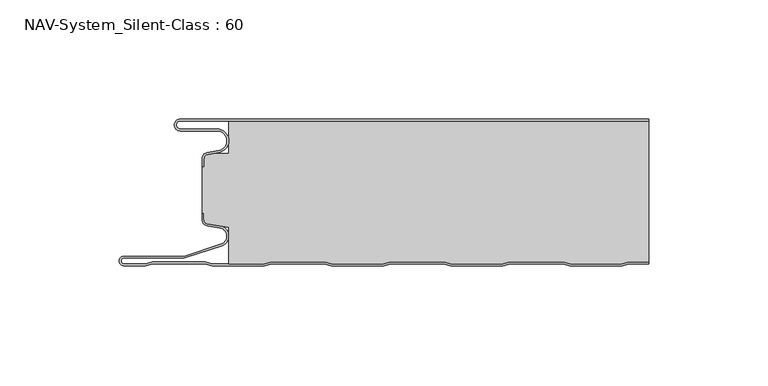
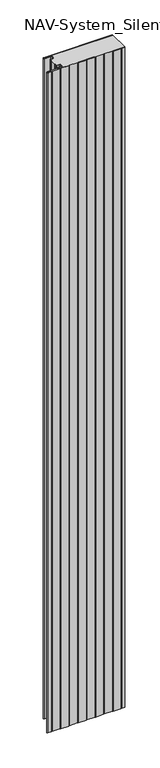
"""IFC4 building model written with IfcOpenShell, lengths in millimetres: plate geometry, NAV-System_Silent-Class : 60."""

from ifc_helpers import new_model, si_unit, frame, origin, place, context, project, spatial, polyline, circle_curve, source, transform, mapped, element, save
from ifc_brep_helpers import plane_surface, cylinder_surface, revolved_surface, advanced_brep


def nav_system_silent_class_60_25ee9764(model_context):
    return source(origin(), model_context, "Body", "AdvancedBrep", [
        advanced_brep(
        [(-97.0000001, -0.8000002, 0.0), (-97.0000001, -4.1999999, 0.0), (-81.6002086, -4.1999999, 0.0), (-80.7423864, -14.0049502, 0.0), (-85.6125665, -14.8636946, 0.0), (-87.1000004, -16.6363494, 0.0), (-87.1000014, -19.9421291, 0.0), (-87.9000014, -19.9421291, 0.0), (-87.9000014, -16.6363484, 0.0), (-85.7514853, -14.0758488, 0.0), (-80.8813015, -13.217104, 0.0), (-81.600205, -4.9999999, 0.0), (-97.0000001, -4.9999999, 0.0), (-97.0000001, 0.0, 0.0), (99.5, 0.0, 0.0), (99.5, -0.8, 0.0), (-97.0000001, 0.0, 2000.0), (-97.0000001, -4.9999999, 2000.0), (-81.600205, -4.9999999, 2000.0), (-80.8813015, -13.217104, 2000.0), (-85.7514853, -14.0758488, 2000.0), (-87.8999997, -16.6363484, 2000.0), (-87.9000014, -19.9421291, 2000.0), (-87.1000014, -19.9421291, 2000.0), (-87.1000014, -16.6363494, 2000.0), (-85.6125665, -14.8636946, 2000.0), (-80.7423864, -14.0049502, 2000.0), (-81.6002086, -4.1999999, 2000.0), (-97.0000001, -4.1999999, 2000.0), (-97.0000001, -0.8000002, 2000.0), (99.5, -0.8, 2000.0), (99.5, 0.0, 2000.0)],
        [
            (0, 1, circle_curve(frame((-97.0000001, -2.5, 0.0), z_axis=(0.0, 0.0, 1.0), x_axis=(1.0, 0.0, 0.0)), 1.6999999)),
            (1, 2),
            (2, 3, circle_curve(frame((-81.6002086, -9.1399999, 0.0), z_axis=(0.0, 0.0, -1.0), x_axis=(1.0, 0.0, 0.0)), 4.94)),
            (3, 4),
            (4, 5, circle_curve(frame((-85.2999995, -16.6363494, 0.0), z_axis=(0.0, 0.0, 1.0), x_axis=(1.0, 0.0, 0.0)), 1.8000009)),
            (5, 6),
            (6, 7),
            (7, 8),
            (8, 9, circle_curve(frame((-85.3000002, -16.6363484, 0.0), z_axis=(0.0, 0.0, -1.0), x_axis=(1.0, 0.0, 0.0)), 2.5999995)),
            (9, 10),
            (10, 11, circle_curve(frame((-81.600205, -9.1399999, 0.0), z_axis=(0.0, 0.0, 1.0), x_axis=(1.0, 0.0, 0.0)), 4.14)),
            (11, 12),
            (12, 13, circle_curve(frame((-97.0000001, -2.4999999, 0.0), z_axis=(0.0, 0.0, -1.0), x_axis=(1.0, 0.0, 0.0)), 2.4999999)),
            (13, 14),
            (14, 15),
            (15, 0),
            (16, 17, circle_curve(frame((-97.0000001, -2.4999999, 2000.0), z_axis=(0.0, 0.0, 1.0), x_axis=(1.0, 0.0, 0.0)), 2.4999999)),
            (17, 18),
            (18, 19, circle_curve(frame((-81.600205, -9.1399999, 2000.0), z_axis=(0.0, 0.0, -1.0), x_axis=(1.0, 0.0, 0.0)), 4.14)),
            (19, 20),
            (20, 21, circle_curve(frame((-85.3000002, -16.6363484, 2000.0), z_axis=(0.0, 0.0, 1.0), x_axis=(1.0, 0.0, 0.0)), 2.5999995)),
            (21, 22),
            (22, 23),
            (23, 24),
            (24, 25, circle_curve(frame((-85.2999995, -16.6363494, 2000.0), z_axis=(0.0, 0.0, -1.0), x_axis=(1.0, 0.0, 0.0)), 1.8000009)),
            (25, 26),
            (26, 27, circle_curve(frame((-81.6002086, -9.1399999, 2000.0), z_axis=(0.0, 0.0, 1.0), x_axis=(1.0, 0.0, 0.0)), 4.94)),
            (27, 28),
            (28, 29, circle_curve(frame((-97.0000001, -2.5, 2000.0), z_axis=(0.0, 0.0, -1.0), x_axis=(1.0, 0.0, 0.0)), 1.6999999)),
            (29, 30),
            (30, 31),
            (31, 16),
            (29, 0),
            (15, 30),
            (13, 16),
            (31, 14),
            (1, 28),
            (27, 2),
            (5, 24),
            (23, 6),
            (22, 7),
            (21, 8),
            (11, 18),
            (17, 12),
            (26, 3),
            (25, 4),
            (20, 9),
            (19, 10),
        ],
        [
            plane_surface(frame((-99.5, 0.0, 0.0), z_axis=(0.0, 0.0, -1.0), x_axis=(0.0, -1.0, 0.0))),
            plane_surface(frame((-99.5, 0.0, 2000.0), z_axis=(0.0, 0.0, 1.0), x_axis=(0.0, -1.0, 0.0))),
            plane_surface(frame((898.5000017, -0.8, 0.0), z_axis=(0.0, -1.0, 0.0), x_axis=(0.0, 0.0, 1.0))),
            plane_surface(frame((-97.0000001, 0.0, 0.0), z_axis=(0.0, 1.0, 0.0), x_axis=(0.0, 0.0, 1.0))),
            plane_surface(frame((-97.0000001, -4.1999999, 0.0), z_axis=(0.0, 1.0, 0.0), x_axis=(0.0, 0.0, 1.0))),
            plane_surface(frame((-87.1000014, -16.6363494, 0.0), z_axis=(1.0, 0.0, 0.0), x_axis=(0.0, 0.0, 1.0))),
            plane_surface(frame((-87.1000014, -19.9421291, 0.0), z_axis=(0.0, -1.0, 0.0), x_axis=(0.0, 0.0, 1.0))),
            plane_surface(frame((-87.9000014, -19.9421291, 0.0), z_axis=(-1.0, 0.0, 0.0), x_axis=(0.0, 0.0, 1.0))),
            plane_surface(frame((-81.600205, -4.9999999, 0.0), z_axis=(0.0, -1.0, 0.0), x_axis=(0.0, 0.0, 1.0))),
            revolved_surface(polyline([(-95.3000002, -2.5, 2000.0), (-95.3000002, -2.5, 0.0)]), (-97.0000001, -2.5, 0.0), (0.0, 0.0, 1.0)),
            cylinder_surface(frame((-81.6002086, -9.1399999, 0.0), z_axis=(0.0, 0.0, -1.0), x_axis=(1.0, 0.0, 0.0)), 4.94),
            plane_surface(frame((-80.7423864, -14.0049502, 0.0), z_axis=(0.17364822279076972, -0.9848077450556567, 0.0), x_axis=(0.0, 0.0, 1.0))),
            revolved_surface(polyline([(-83.4999986, -16.6363494, 2000.0), (-83.4999986, -16.6363494, 0.0)]), (-85.2999995, -16.6363494, 0.0), (0.0, 0.0, 1.0)),
            cylinder_surface(frame((-85.3000002, -16.6363484, 0.0), z_axis=(0.0, 0.0, -1.0), x_axis=(1.0, 0.0, 0.0)), 2.5999995),
            plane_surface(frame((-85.7514853, -14.0758488, 0.0), z_axis=(-0.17364817295915452, 0.984807753842316, 0.0), x_axis=(0.0, 0.0, 1.0))),
            revolved_surface(polyline([(-77.460205, -9.1399999, 2000.0), (-77.460205, -9.1399999, 0.0)]), (-81.600205, -9.1399999, 0.0), (0.0, 0.0, 1.0)),
            cylinder_surface(frame((-97.0000001, -2.4999999, 0.0), z_axis=(0.0, 0.0, -1.0), x_axis=(1.0, 0.0, 0.0)), 2.4999999),
            plane_surface(frame((99.5, 100.0, 2000.0), z_axis=(1.0, 0.0, 0.0), x_axis=(0.0, 0.0, -1.0))),
        ],
        [
            (0, [[1, 2, 3, 4, 5, 6, 7, 8, 9, 10, 11, 12, 13, 14, 15, 16]]),
            (1, [[17, 18, 19, 20, 21, 22, 23, 24, 25, 26, 27, 28, 29, 30, 31, 32]]),
            (2, [[33, -16, 34, -30]]),
            (3, [[35, -32, 36, -14]]),
            (4, [[-2, 37, -28, 38]]),
            (5, [[-6, 39, -24, 40]]),
            (6, [[-7, -40, -23, 41]]),
            (7, [[-8, -41, -22, 42]]),
            (8, [[-12, 43, -18, 44]]),
            (9, [[-1, -33, -29, -37]]),
            (10, [[-3, -38, -27, 45]]),
            (11, [[-4, -45, -26, 46]]),
            (12, [[-5, -46, -25, -39]]),
            (13, [[-9, -42, -21, 47]]),
            (14, [[-10, -47, -20, 48]]),
            (15, [[-11, -48, -19, -43]]),
            (16, [[-13, -44, -17, -35]]),
            (17, [[-15, -36, -31, -34]]),
        ],
    ),
        advanced_brep(
        [(-76.6719045, -0.8, 2000.0), (-76.6719045, -14.4343223, 2000.0), (-83.1891722, -14.4343223, 2000.0), (-85.6242625, -14.8636946, 2000.0), (-87.1116964, -16.636349, 2000.0), (-87.1116974, -19.9512003, 2000.0), (-87.9116974, -19.9512003, 2000.0), (-87.9116974, -39.3983656, 2000.0), (-87.1116974, -39.3983656, 2000.0), (-87.1116974, -42.1656409, 2000.0), (-85.4245663, -44.1410176, 2000.0), (-76.6248082, -45.5347623, 2000.0), (-76.6248082, -60.8, 2000.0), (-61.8218295, -60.8, 2000.0), (-58.7610803, -60.0, 2000.0), (-36.5891849, -60.0, 2000.0), (-33.5284357, -60.8, 2000.0), (-11.8218295, -60.8, 2000.0), (-8.7610803, -60.0, 2000.0), (13.4108151, -60.0, 2000.0), (16.4715643, -60.8, 2000.0), (38.1904, -60.8, 2000.0), (41.2511493, -60.0, 2000.0), (63.4108151, -60.0, 2000.0), (66.4715643, -60.8, 2000.0), (88.1781705, -60.8, 2000.0), (91.2389197, -60.0, 2000.0), (99.5, -60.0, 2000.0), (99.5, -0.8, 2000.0), (91.2389197, -60.0, 0.0), (88.1781705, -60.8, 0.0), (66.4715643, -60.8, 0.0), (63.4108151, -60.0, 0.0), (41.2511493, -60.0, 0.0), (38.1904, -60.8, 0.0), (16.4715643, -60.8, 0.0), (13.4108151, -60.0, 0.0), (-8.7610803, -60.0, 0.0), (-11.8218295, -60.8, 0.0), (-33.5284357, -60.8, 0.0), (-36.5891849, -60.0, 0.0), (-58.7610803, -60.0, 0.0), (-61.8218295, -60.8, 0.0), (-76.6248082, -60.8, 0.0), (-76.6248082, -45.5347623, 0.0), (-85.4245663, -44.1410176, 0.0), (-87.1116974, -42.1656409, 0.0), (-87.1116974, -39.3983656, 0.0), (-87.9116974, -39.3983656, 0.0), (-87.9116974, -19.9512003, 0.0), (-87.1116974, -19.9512003, 0.0), (-87.1116974, -16.636349, 0.0), (-85.6242625, -14.8636946, 0.0), (-83.1891722, -14.4343223, 0.0), (-76.6719045, -14.4343223, 0.0), (-76.6719045, -0.8, 0.0), (99.5, -0.8, 0.0), (99.5, -60.0, 0.0)],
        [
            (0, 1),
            (1, 2),
            (2, 3),
            (3, 4, circle_curve(frame((-85.3116955, -16.6363494, 2000.0), z_axis=(0.0, 0.0, 1.0), x_axis=(1.0, 0.0, 0.0)), 1.8000009)),
            (4, 5),
            (5, 6),
            (6, 7),
            (7, 8),
            (8, 9),
            (9, 10, circle_curve(frame((-85.1116974, -42.1656409, 2000.0), z_axis=(0.0, 0.0, 1.0), x_axis=(1.0, 0.0, 0.0)), 2.0)),
            (10, 11),
            (11, 12),
            (12, 13),
            (13, 14),
            (14, 15),
            (15, 16),
            (16, 17),
            (17, 18),
            (18, 19),
            (19, 20),
            (20, 21),
            (21, 22),
            (22, 23),
            (23, 24),
            (24, 25),
            (25, 26),
            (26, 27),
            (27, 28),
            (28, 0),
            (29, 30),
            (30, 31),
            (31, 32),
            (32, 33),
            (33, 34),
            (34, 35),
            (35, 36),
            (36, 37),
            (37, 38),
            (38, 39),
            (39, 40),
            (40, 41),
            (41, 42),
            (42, 43),
            (43, 44),
            (44, 45),
            (45, 46, circle_curve(frame((-85.1116974, -42.1656409, 0.0), z_axis=(0.0, 0.0, -1.0), x_axis=(1.0, 0.0, 0.0)), 2.0)),
            (46, 47),
            (47, 48),
            (48, 49),
            (49, 50),
            (50, 51),
            (51, 52, circle_curve(frame((-85.3116955, -16.6363494, 0.0), z_axis=(0.0, 0.0, -1.0), x_axis=(1.0, 0.0, 0.0)), 1.8000009)),
            (52, 53),
            (53, 54),
            (54, 55),
            (55, 56),
            (56, 57),
            (57, 29),
            (55, 0),
            (28, 56),
            (54, 1),
            (53, 2),
            (52, 3),
            (51, 4),
            (50, 5),
            (49, 6),
            (48, 7),
            (47, 8),
            (46, 9),
            (45, 10),
            (44, 11),
            (43, 12),
            (42, 13),
            (41, 14),
            (40, 15),
            (39, 16),
            (38, 17),
            (37, 18),
            (36, 19),
            (35, 20),
            (34, 21),
            (33, 22),
            (32, 23),
            (31, 24),
            (30, 25),
            (29, 26),
            (57, 27),
        ],
        [
            plane_surface(frame((-99.5, 0.0, 2000.0), z_axis=(0.0, 0.0, 1.0), x_axis=(0.0, -1.0, 0.0))),
            plane_surface(frame((-99.5, 0.0, 0.0), z_axis=(0.0, 0.0, -1.0), x_axis=(0.0, -1.0, 0.0))),
            plane_surface(frame((898.4883057, -0.8, 2000.0), z_axis=(0.0, 1.0, 0.0), x_axis=(0.0, 0.0, -1.0))),
            plane_surface(frame((-76.6719045, -0.8, 2000.0), z_axis=(-1.0, 0.0, 0.0), x_axis=(0.0, 0.0, -1.0))),
            plane_surface(frame((-76.6719045, -14.4343223, 2000.0), z_axis=(0.0, 1.0, 0.0), x_axis=(0.0, 0.0, -1.0))),
            plane_surface(frame((-83.1891722, -14.4343223, 2000.0), z_axis=(-0.17364822279077605, 0.9848077450556556, 0.0), x_axis=(0.0, 0.0, -1.0))),
            cylinder_surface(frame((-85.3116955, -16.6363494, 2000.0), z_axis=(0.0, 0.0, 1.0), x_axis=(1.0, 0.0, 0.0)), 1.8000009),
            plane_surface(frame((-87.1116974, -16.636349, 2000.0), z_axis=(-1.0, 0.0, 0.0), x_axis=(0.0, 0.0, -1.0))),
            plane_surface(frame((-87.1116974, -19.9512003, 2000.0), z_axis=(0.0, 1.0, 0.0), x_axis=(0.0, 0.0, -1.0))),
            plane_surface(frame((-87.9116974, -19.9512003, 2000.0), z_axis=(-1.0, 0.0, 0.0), x_axis=(0.0, 0.0, -1.0))),
            plane_surface(frame((-87.9116974, -39.3983656, 2000.0), z_axis=(0.0, -1.0, 0.0), x_axis=(0.0, 0.0, -1.0))),
            plane_surface(frame((-87.1116974, -39.3983656, 2000.0), z_axis=(-1.0, 0.0, 0.0), x_axis=(0.0, 0.0, -1.0))),
            cylinder_surface(frame((-85.1116974, -42.1656409, 2000.0), z_axis=(0.0, 0.0, 1.0), x_axis=(1.0, 0.0, 0.0)), 2.0),
            plane_surface(frame((-85.4245663, -44.1410176, 2000.0), z_axis=(-0.15643446503998076, -0.9876883405951774, 0.0), x_axis=(0.0, 0.0, -1.0))),
            plane_surface(frame((-76.6248082, -45.5347623, 2000.0), z_axis=(-1.0, 0.0, 0.0), x_axis=(0.0, 0.0, -1.0))),
            plane_surface(frame((-76.6248082, -60.8, 2000.0), z_axis=(0.0, -1.0, 0.0), x_axis=(0.0, 0.0, -1.0))),
            plane_surface(frame((-61.8218295, -60.8, 2000.0), z_axis=(0.25287873100818087, -0.9674979831522608, 0.0), x_axis=(0.0, 0.0, -1.0))),
            plane_surface(frame((-58.7610803, -60.0, 2000.0), z_axis=(0.0, -1.0, 0.0), x_axis=(0.0, 0.0, -1.0))),
            plane_surface(frame((-36.5891849, -60.0, 2000.0), z_axis=(-0.2528787310100107, -0.9674979831517825, 0.0), x_axis=(0.0, 0.0, -1.0))),
            plane_surface(frame((-33.5284357, -60.8, 2000.0), z_axis=(0.0, -1.0, 0.0), x_axis=(0.0, 0.0, -1.0))),
            plane_surface(frame((-11.8218295, -60.8, 2000.0), z_axis=(0.2528787310082462, -0.9674979831522437, 0.0), x_axis=(0.0, 0.0, -1.0))),
            plane_surface(frame((-8.7610803, -60.0, 2000.0), z_axis=(0.0, -1.0, 0.0), x_axis=(0.0, 0.0, -1.0))),
            plane_surface(frame((13.4108151, -60.0, 2000.0), z_axis=(-0.25287873100843644, -0.9674979831521939, 0.0), x_axis=(0.0, 0.0, -1.0))),
            plane_surface(frame((16.4715643, -60.8, 2000.0), z_axis=(0.0, -1.0, 0.0), x_axis=(0.0, 0.0, -1.0))),
            plane_surface(frame((38.1904, -60.8, 2000.0), z_axis=(0.25287873100806824, -0.9674979831522902, 0.0), x_axis=(0.0, 0.0, -1.0))),
            plane_surface(frame((41.2511493, -60.0, 2000.0), z_axis=(0.0, -1.0, 0.0), x_axis=(0.0, 0.0, -1.0))),
            plane_surface(frame((63.4108151, -60.0, 2000.0), z_axis=(-0.25287873100835406, -0.9674979831522155, 0.0), x_axis=(0.0, 0.0, -1.0))),
            plane_surface(frame((66.4715643, -60.8, 2000.0), z_axis=(0.0, -1.0, 0.0), x_axis=(0.0, 0.0, -1.0))),
            plane_surface(frame((88.1781705, -60.8, 2000.0), z_axis=(0.25287873100822345, -0.9674979831522497, 0.0), x_axis=(0.0, 0.0, -1.0))),
            plane_surface(frame((91.2389197, -60.0, 2000.0), z_axis=(0.0, -1.0, 0.0), x_axis=(0.0, 0.0, -1.0))),
            plane_surface(frame((99.5, 100.0, 2000.0), z_axis=(1.0, 0.0, 0.0), x_axis=(0.0, 0.0, -1.0))),
        ],
        [
            (0, [[1, 2, 3, 4, 5, 6, 7, 8, 9, 10, 11, 12, 13, 14, 15, 16, 17, 18, 19, 20, 21, 22, 23, 24, 25, 26, 27, 28, 29]]),
            (1, [[30, 31, 32, 33, 34, 35, 36, 37, 38, 39, 40, 41, 42, 43, 44, 45, 46, 47, 48, 49, 50, 51, 52, 53, 54, 55, 56, 57, 58]]),
            (2, [[59, -29, 60, -56]]),
            (3, [[-1, -59, -55, 61]]),
            (4, [[-2, -61, -54, 62]]),
            (5, [[-3, -62, -53, 63]]),
            (6, [[-4, -63, -52, 64]]),
            (7, [[-5, -64, -51, 65]]),
            (8, [[-6, -65, -50, 66]]),
            (9, [[-7, -66, -49, 67]]),
            (10, [[-8, -67, -48, 68]]),
            (11, [[-9, -68, -47, 69]]),
            (12, [[-10, -69, -46, 70]]),
            (13, [[-11, -70, -45, 71]]),
            (14, [[-12, -71, -44, 72]]),
            (15, [[-13, -72, -43, 73]]),
            (16, [[-14, -73, -42, 74]]),
            (17, [[-15, -74, -41, 75]]),
            (18, [[-16, -75, -40, 76]]),
            (19, [[-17, -76, -39, 77]]),
            (20, [[-18, -77, -38, 78]]),
            (21, [[-19, -78, -37, 79]]),
            (22, [[-20, -79, -36, 80]]),
            (23, [[-21, -80, -35, 81]]),
            (24, [[-22, -81, -34, 82]]),
            (25, [[-23, -82, -33, 83]]),
            (26, [[-24, -83, -32, 84]]),
            (27, [[-25, -84, -31, 85]]),
            (28, [[-26, -85, -30, 86]]),
            (29, [[-86, -58, 87, -27]]),
            (30, [[-28, -87, -57, -60]]),
        ],
    ),
        advanced_brep(
        [(91.239397, -60.0, 2000.0), (88.1786477, -60.8, 2000.0), (66.4720416, -60.8, 2000.0), (63.4112923, -60.0, 2000.0), (41.2516265, -60.0, 2000.0), (38.1908772, -60.8, 2000.0), (16.4720416, -60.8, 2000.0), (13.4112923, -60.0, 2000.0), (-8.760603, -60.0, 2000.0), (-11.8213523, -60.8, 2000.0), (-33.5279584, -60.8, 2000.0), (-36.5887077, -60.0, 2000.0), (-58.760603, -60.0, 2000.0), (-61.8213523, -60.8, 2000.0), (-83.5279584, -60.8, 2000.0), (-86.5887077, -60.0, 2000.0), (-108.760603, -60.0, 2000.0), (-111.8190206, -60.7993906, 2000.0), (-120.7154182, -60.7993906, 2000.0), (-120.6771783, -58.4000003, 2000.0), (-95.3414726, -58.4000003, 2000.0), (-79.6231923, -53.2926893, 2000.0), (-80.2358126, -44.9629887, 2000.0), (-85.4240891, -44.1412465, 2000.0), (-87.1112201, -42.1658698, 2000.0), (-87.1112201, -39.3985945, 2000.0), (-87.9112201, -39.3985945, 2000.0), (-87.9112201, -42.1658698, 2000.0), (-85.5140582, -44.93674, 2000.0), (-80.4044746, -45.7460185, 2000.0), (-79.8704103, -52.5316172, 2000.0), (-95.4681798, -57.6000003, 2000.0), (-120.6771783, -57.6000003, 2000.0), (-120.726556, -61.5993906, 2000.0), (-111.7161981, -61.5993906, 2000.0), (-108.6577806, -60.8, 2000.0), (-86.6915302, -60.8, 2000.0), (-83.6307809, -61.6, 2000.0), (-61.7185298, -61.6, 2000.0), (-58.6577806, -60.8, 2000.0), (-36.6915302, -60.8, 2000.0), (-33.6307809, -61.6, 2000.0), (-11.7185298, -61.6, 2000.0), (-8.6577806, -60.8, 2000.0), (13.3084698, -60.8, 2000.0), (16.3692191, -61.6, 2000.0), (38.2936997, -61.6, 2000.0), (41.354449, -60.8, 2000.0), (63.3084698, -60.8, 2000.0), (66.3692191, -61.6, 2000.0), (88.2814702, -61.6, 2000.0), (91.3422194, -60.8, 2000.0), (99.5, -60.8, 2000.0), (99.5, -60.0, 2000.0), (91.3422194, -60.8, 0.0), (88.2814702, -61.6, 0.0), (66.3692191, -61.6, 0.0), (63.3084698, -60.8, 0.0), (41.354449, -60.8, 0.0), (38.2936997, -61.6, 0.0), (16.3692191, -61.6, 0.0), (13.3084698, -60.8, 0.0), (-8.6577806, -60.8, 0.0), (-11.7185298, -61.6, 0.0), (-33.6307809, -61.6, 0.0), (-36.6915302, -60.8, 0.0), (-58.6577806, -60.8, 0.0), (-61.7185298, -61.6, 0.0), (-83.6307809, -61.6, 0.0), (-86.6915302, -60.8, 0.0), (-108.6577806, -60.8, 0.0), (-111.7161981, -61.5993906, 0.0), (-120.726556, -61.5993906, 0.0), (-120.6771783, -57.6000003, 0.0), (-95.4681798, -57.6000003, 0.0), (-79.8704103, -52.5318461, 0.0), (-80.4044746, -45.7460185, 0.0), (-85.5140582, -44.93674, 0.0), (-87.9112201, -42.1658698, 0.0), (-87.9112201, -39.3985945, 0.0), (-87.1112201, -39.3985945, 0.0), (-87.1112201, -42.1658698, 0.0), (-85.4240891, -44.1412465, 0.0), (-80.2358126, -44.9629887, 0.0), (-79.6231923, -53.2924604, 0.0), (-95.3414726, -58.4000003, 0.0), (-120.6771783, -58.4000003, 0.0), (-120.7154182, -60.7993906, 0.0), (-111.8190206, -60.7993906, 0.0), (-108.760603, -60.0, 0.0), (-86.5887077, -60.0, 0.0), (-83.5279584, -60.8, 0.0), (-61.8213523, -60.8, 0.0), (-58.760603, -60.0, 0.0), (-36.5887077, -60.0, 0.0), (-33.5279584, -60.8, 0.0), (-11.8213523, -60.8, 0.0), (-8.760603, -60.0, 0.0), (13.4112923, -60.0, 0.0), (16.4720416, -60.8, 0.0), (38.1908772, -60.8, 0.0), (41.2516265, -60.0, 0.0), (63.4112923, -60.0, 0.0), (66.4720416, -60.8, 0.0), (88.1786477, -60.8, 0.0), (91.239397, -60.0, 0.0), (99.5, -60.0, 0.0), (99.5, -60.8, 0.0)],
        [
            (0, 1),
            (1, 2),
            (2, 3),
            (3, 4),
            (4, 5),
            (5, 6),
            (6, 7),
            (7, 8),
            (8, 9),
            (9, 10),
            (10, 11),
            (11, 12),
            (12, 13),
            (13, 14),
            (14, 15),
            (15, 16),
            (16, 17),
            (17, 18),
            (18, 19, circle_curve(frame((-120.6771783, -59.6000001, 2000.0), z_axis=(0.0, 0.0, -1.0), x_axis=(1.0, 0.0, 0.0)), 1.1999999)),
            (19, 20),
            (20, 21),
            (21, 22, circle_curve(frame((-80.9519964, -49.2029275, 2000.0), z_axis=(0.0, 0.0, 1.0), x_axis=(1.0, 0.0, 0.0)), 4.3)),
            (22, 23),
            (23, 24, circle_curve(frame((-85.1112201, -42.1658698, 2000.0), z_axis=(0.0, 0.0, -1.0), x_axis=(1.0, 0.0, 0.0)), 2.0)),
            (24, 25),
            (25, 26),
            (26, 27),
            (27, 28, circle_curve(frame((-85.1112201, -42.1658698, 2000.0), z_axis=(0.0, 0.0, 1.0), x_axis=(1.0, 0.0, 0.0)), 2.8)),
            (28, 29),
            (29, 30, circle_curve(frame((-80.9519952, -49.2029277, 2000.0), z_axis=(0.0, 0.0, -1.0), x_axis=(1.0, 0.0, 0.0)), 3.5)),
            (30, 31),
            (31, 32),
            (32, 33, circle_curve(frame((-120.6771783, -59.6000003, 2000.0), z_axis=(0.0, 0.0, 1.0), x_axis=(1.0, 0.0, 0.0)), 1.9999999)),
            (33, 34),
            (34, 35),
            (35, 36),
            (36, 37),
            (37, 38),
            (38, 39),
            (39, 40),
            (40, 41),
            (41, 42),
            (42, 43),
            (43, 44),
            (44, 45),
            (45, 46),
            (46, 47),
            (47, 48),
            (48, 49),
            (49, 50),
            (50, 51),
            (51, 52),
            (52, 53),
            (53, 0),
            (54, 55),
            (55, 56),
            (56, 57),
            (57, 58),
            (58, 59),
            (59, 60),
            (60, 61),
            (61, 62),
            (62, 63),
            (63, 64),
            (64, 65),
            (65, 66),
            (66, 67),
            (67, 68),
            (68, 69),
            (69, 70),
            (70, 71),
            (71, 72),
            (72, 73, circle_curve(frame((-120.6771783, -59.6000003, 0.0), z_axis=(0.0, 0.0, -1.0), x_axis=(1.0, 0.0, 0.0)), 1.9999999)),
            (73, 74),
            (74, 75),
            (75, 76, circle_curve(frame((-80.9519952, -49.2029277, 0.0), z_axis=(0.0, 0.0, 1.0), x_axis=(1.0, 0.0, 0.0)), 3.5)),
            (76, 77),
            (77, 78, circle_curve(frame((-85.1112201, -42.1658698, 0.0), z_axis=(0.0, 0.0, -1.0), x_axis=(1.0, 0.0, 0.0)), 2.8)),
            (78, 79),
            (79, 80),
            (80, 81),
            (81, 82, circle_curve(frame((-85.1112201, -42.1658698, 0.0), z_axis=(0.0, 0.0, 1.0), x_axis=(1.0, 0.0, 0.0)), 2.0)),
            (82, 83),
            (83, 84, circle_curve(frame((-80.9519964, -49.2029275, 0.0), z_axis=(0.0, 0.0, -1.0), x_axis=(1.0, 0.0, 0.0)), 4.3)),
            (84, 85),
            (85, 86),
            (86, 87, circle_curve(frame((-120.6771783, -59.6000001, 0.0), z_axis=(0.0, 0.0, 1.0), x_axis=(1.0, 0.0, 0.0)), 1.1999999)),
            (87, 88),
            (88, 89),
            (89, 90),
            (90, 91),
            (91, 92),
            (92, 93),
            (93, 94),
            (94, 95),
            (95, 96),
            (96, 97),
            (97, 98),
            (98, 99),
            (99, 100),
            (100, 101),
            (101, 102),
            (102, 103),
            (103, 104),
            (104, 105),
            (105, 106),
            (106, 107),
            (107, 54),
            (17, 88),
            (87, 18),
            (86, 19),
            (85, 20),
            (84, 21),
            (22, 83),
            (82, 23),
            (81, 24),
            (80, 25),
            (79, 26),
            (78, 27),
            (77, 28),
            (30, 75),
            (74, 31),
            (73, 32),
            (72, 33),
            (71, 34),
            (105, 0),
            (53, 106),
            (104, 1),
            (103, 2),
            (102, 3),
            (101, 4),
            (100, 5),
            (99, 6),
            (98, 7),
            (97, 8),
            (96, 9),
            (95, 10),
            (94, 11),
            (93, 12),
            (92, 13),
            (91, 14),
            (90, 15),
            (89, 16),
            (76, 29),
            (70, 35),
            (69, 36),
            (68, 37),
            (67, 38),
            (66, 39),
            (65, 40),
            (64, 41),
            (63, 42),
            (62, 43),
            (61, 44),
            (60, 45),
            (59, 46),
            (58, 47),
            (57, 48),
            (56, 49),
            (55, 50),
            (54, 51),
            (107, 52),
        ],
        [
            plane_surface(frame((-99.5, -61.6, 2000.0), z_axis=(0.0, 0.0, 1.0), x_axis=(-1.0, 0.0, 0.0))),
            plane_surface(frame((-99.5, -61.6, 0.0), z_axis=(0.0, 0.0, -1.0), x_axis=(-1.0, 0.0, 0.0))),
            plane_surface(frame((-111.8190206, -60.7993906, 2000.0), z_axis=(0.0, 1.0, 0.0), x_axis=(0.0, 0.0, -1.0))),
            revolved_surface(polyline([(-119.4771784, -59.6000001, 0.0), (-119.4771784, -59.6000001, 2000.0)]), (-120.6771783, -59.6000001, 2000.0), (0.0, 0.0, -1.0)),
            plane_surface(frame((-120.6771783, -58.4000003, 2000.0), z_axis=(0.0, -1.0, 0.0), x_axis=(0.0, 0.0, -1.0))),
            plane_surface(frame((-95.3414726, -58.4000003, 2000.0), z_axis=(0.30902422182651945, -0.9510541679234229, 0.0), x_axis=(0.0, 0.0, -1.0))),
            plane_surface(frame((-80.2358126, -44.9629887, 2000.0), z_axis=(0.15643446504003203, 0.9876883405951694, 0.0), x_axis=(0.0, 0.0, -1.0))),
            revolved_surface(polyline([(-83.1112201, -42.1658698, 0.0), (-83.1112201, -42.1658698, 2000.0)]), (-85.1112201, -42.1658698, 2000.0), (0.0, 0.0, -1.0)),
            plane_surface(frame((-87.1112201, -42.1658698, 2000.0), z_axis=(1.0, 0.0, 0.0), x_axis=(0.0, 0.0, -1.0))),
            plane_surface(frame((-87.1112201, -39.3985945, 2000.0), z_axis=(0.0, 1.0, 0.0), x_axis=(0.0, 0.0, -1.0))),
            plane_surface(frame((-87.9112201, -39.3985945, 2000.0), z_axis=(-1.0, 0.0, 0.0), x_axis=(0.0, 0.0, -1.0))),
            cylinder_surface(frame((-85.1112201, -42.1658698, 2000.0), z_axis=(0.0, 0.0, 1.0), x_axis=(1.0, 0.0, 0.0)), 2.8),
            plane_surface(frame((-79.8704103, -52.5318461, 2000.0), z_axis=(-0.3090242543637345, 0.9510541573511668, 0.0), x_axis=(0.0, 0.0, -1.0))),
            plane_surface(frame((-95.4681798, -57.6000003, 2000.0), z_axis=(0.0, 1.0, 0.0), x_axis=(0.0, 0.0, -1.0))),
            cylinder_surface(frame((-120.6771783, -59.6000003, 2000.0), z_axis=(0.0, 0.0, 1.0), x_axis=(1.0, 0.0, 0.0)), 1.9999999),
            plane_surface(frame((-120.726556, -61.5993906, 2000.0), z_axis=(0.0, -1.0, 0.0), x_axis=(0.0, 0.0, -1.0))),
            plane_surface(frame((113.4112923, -60.0, 2000.0), z_axis=(0.0, 1.0, 0.0), x_axis=(0.0, 0.0, -1.0))),
            plane_surface(frame((91.239397, -60.0, 2000.0), z_axis=(-0.25287873100816, 0.9674979831522662, 0.0), x_axis=(0.0, 0.0, -1.0))),
            plane_surface(frame((88.1786477, -60.8, 2000.0), z_axis=(0.0, 1.0, 0.0), x_axis=(0.0, 0.0, -1.0))),
            plane_surface(frame((66.4720416, -60.8, 2000.0), z_axis=(0.2528787310081598, 0.9674979831522662, 0.0), x_axis=(0.0, 0.0, -1.0))),
            plane_surface(frame((63.4112923, -60.0, 2000.0), z_axis=(0.0, 1.0, 0.0), x_axis=(0.0, 0.0, -1.0))),
            plane_surface(frame((41.2516265, -60.0, 2000.0), z_axis=(-0.25287873100816, 0.9674979831522662, 0.0), x_axis=(0.0, 0.0, -1.0))),
            plane_surface(frame((38.1908772, -60.8, 2000.0), z_axis=(0.0, 1.0, 0.0), x_axis=(0.0, 0.0, -1.0))),
            plane_surface(frame((16.4720416, -60.8, 2000.0), z_axis=(0.2528787310083406, 0.9674979831522191, 0.0), x_axis=(0.0, 0.0, -1.0))),
            plane_surface(frame((13.4112923, -60.0, 2000.0), z_axis=(0.0, 1.0, 0.0), x_axis=(0.0, 0.0, -1.0))),
            plane_surface(frame((-8.760603, -60.0, 2000.0), z_axis=(-0.25287873100834074, 0.9674979831522189, 0.0), x_axis=(0.0, 0.0, -1.0))),
            plane_surface(frame((-11.8213523, -60.8, 2000.0), z_axis=(0.0, 1.0, 0.0), x_axis=(0.0, 0.0, -1.0))),
            plane_surface(frame((-33.5279584, -60.8, 2000.0), z_axis=(0.2528787310081598, 0.9674979831522662, 0.0), x_axis=(0.0, 0.0, -1.0))),
            plane_surface(frame((-36.5887077, -60.0, 2000.0), z_axis=(0.0, 1.0, 0.0), x_axis=(0.0, 0.0, -1.0))),
            plane_surface(frame((-58.760603, -60.0, 2000.0), z_axis=(-0.25287873100816, 0.9674979831522662, 0.0), x_axis=(0.0, 0.0, -1.0))),
            plane_surface(frame((-61.8213523, -60.8, 2000.0), z_axis=(0.0, 1.0, 0.0), x_axis=(0.0, 0.0, -1.0))),
            plane_surface(frame((-83.5279584, -60.8, 2000.0), z_axis=(0.2528787310081598, 0.9674979831522662, 0.0), x_axis=(0.0, 0.0, -1.0))),
            plane_surface(frame((-86.5887077, -60.0, 2000.0), z_axis=(0.0, 1.0, 0.0), x_axis=(0.0, 0.0, -1.0))),
            plane_surface(frame((-108.760603, -60.0, 2000.0), z_axis=(-0.25287873100816, 0.9674979831522662, 0.0), x_axis=(0.0, 0.0, -1.0))),
            cylinder_surface(frame((-80.9519964, -49.2029275, 2000.0), z_axis=(0.0, 0.0, 1.0), x_axis=(1.0, 0.0, 0.0)), 4.3),
            plane_surface(frame((-85.5140582, -44.93674, 2000.0), z_axis=(-0.15643446504045883, -0.9876883405951018, 0.0), x_axis=(0.0, 0.0, -1.0))),
            revolved_surface(polyline([(-77.4519952, -49.2029277, 0.0), (-77.4519952, -49.2029277, 2000.0)]), (-80.9519952, -49.2029277, 2000.0), (0.0, 0.0, -1.0)),
            plane_surface(frame((-111.7161981, -61.5993906, 2000.0), z_axis=(0.25287873100765673, -0.9674979831523978, 0.0), x_axis=(0.0, 0.0, -1.0))),
            plane_surface(frame((-108.6577806, -60.8, 2000.0), z_axis=(0.0, -1.0, 0.0), x_axis=(0.0, 0.0, -1.0))),
            plane_surface(frame((-86.6915302, -60.8, 2000.0), z_axis=(-0.2528787310076565, -0.9674979831523979, 0.0), x_axis=(0.0, 0.0, -1.0))),
            plane_surface(frame((-83.6307809, -61.6, 2000.0), z_axis=(0.0, -1.0, 0.0), x_axis=(0.0, 0.0, -1.0))),
            plane_surface(frame((-61.7185298, -61.6, 2000.0), z_axis=(0.25287873100765673, -0.9674979831523978, 0.0), x_axis=(0.0, 0.0, -1.0))),
            plane_surface(frame((-58.6577806, -60.8, 2000.0), z_axis=(0.0, -1.0, 0.0), x_axis=(0.0, 0.0, -1.0))),
            plane_surface(frame((-36.6915302, -60.8, 2000.0), z_axis=(-0.2528787310078372, -0.9674979831523505, 0.0), x_axis=(0.0, 0.0, -1.0))),
            plane_surface(frame((-33.6307809, -61.6, 2000.0), z_axis=(0.0, -1.0, 0.0), x_axis=(0.0, 0.0, -1.0))),
            plane_surface(frame((-11.7185298, -61.6, 2000.0), z_axis=(0.2528787310078374, -0.9674979831523505, 0.0), x_axis=(0.0, 0.0, -1.0))),
            plane_surface(frame((-8.6577806, -60.8, 2000.0), z_axis=(0.0, -1.0, 0.0), x_axis=(0.0, 0.0, -1.0))),
            plane_surface(frame((13.3084698, -60.8, 2000.0), z_axis=(-0.2528787310078372, -0.9674979831523505, 0.0), x_axis=(0.0, 0.0, -1.0))),
            plane_surface(frame((16.3692191, -61.6, 2000.0), z_axis=(0.0, -1.0, 0.0), x_axis=(0.0, 0.0, -1.0))),
            plane_surface(frame((38.2936997, -61.6, 2000.0), z_axis=(0.2528787310083481, -0.967497983152217, 0.0), x_axis=(0.0, 0.0, -1.0))),
            plane_surface(frame((41.354449, -60.8, 2000.0), z_axis=(0.0, -1.0, 0.0), x_axis=(0.0, 0.0, -1.0))),
            plane_surface(frame((63.3084698, -60.8, 2000.0), z_axis=(-0.2528787310076565, -0.9674979831523979, 0.0), x_axis=(0.0, 0.0, -1.0))),
            plane_surface(frame((66.3692191, -61.6, 2000.0), z_axis=(0.0, -1.0, 0.0), x_axis=(0.0, 0.0, -1.0))),
            plane_surface(frame((88.2814702, -61.6, 2000.0), z_axis=(0.25287873100765673, -0.9674979831523978, 0.0), x_axis=(0.0, 0.0, -1.0))),
            plane_surface(frame((91.3422194, -60.8, 2000.0), z_axis=(0.0, -1.0, 0.0), x_axis=(0.0, 0.0, -1.0))),
            plane_surface(frame((99.5, 100.0, 2000.0), z_axis=(1.0, 0.0, 0.0), x_axis=(0.0, 0.0, -1.0))),
        ],
        [
            (0, [[1, 2, 3, 4, 5, 6, 7, 8, 9, 10, 11, 12, 13, 14, 15, 16, 17, 18, 19, 20, 21, 22, 23, 24, 25, 26, 27, 28, 29, 30, 31, 32, 33, 34, 35, 36, 37, 38, 39, 40, 41, 42, 43, 44, 45, 46, 47, 48, 49, 50, 51, 52, 53, 54]]),
            (1, [[55, 56, 57, 58, 59, 60, 61, 62, 63, 64, 65, 66, 67, 68, 69, 70, 71, 72, 73, 74, 75, 76, 77, 78, 79, 80, 81, 82, 83, 84, 85, 86, 87, 88, 89, 90, 91, 92, 93, 94, 95, 96, 97, 98, 99, 100, 101, 102, 103, 104, 105, 106, 107, 108]]),
            (2, [[-18, 109, -88, 110]]),
            (3, [[-19, -110, -87, 111]]),
            (4, [[-20, -111, -86, 112]]),
            (5, [[-21, -112, -85, 113]]),
            (6, [[-23, 114, -83, 115]]),
            (7, [[-24, -115, -82, 116]]),
            (8, [[-25, -116, -81, 117]]),
            (9, [[-26, -117, -80, 118]]),
            (10, [[-27, -118, -79, 119]]),
            (11, [[-28, -119, -78, 120]]),
            (12, [[-31, 121, -75, 122]]),
            (13, [[-32, -122, -74, 123]]),
            (14, [[-33, -123, -73, 124]]),
            (15, [[-34, -124, -72, 125]]),
            (16, [[126, -54, 127, -106]]),
            (17, [[-1, -126, -105, 128]]),
            (18, [[-2, -128, -104, 129]]),
            (19, [[-3, -129, -103, 130]]),
            (20, [[-4, -130, -102, 131]]),
            (21, [[-5, -131, -101, 132]]),
            (22, [[-6, -132, -100, 133]]),
            (23, [[-7, -133, -99, 134]]),
            (24, [[-8, -134, -98, 135]]),
            (25, [[-9, -135, -97, 136]]),
            (26, [[-10, -136, -96, 137]]),
            (27, [[-11, -137, -95, 138]]),
            (28, [[-12, -138, -94, 139]]),
            (29, [[-13, -139, -93, 140]]),
            (30, [[-14, -140, -92, 141]]),
            (31, [[-15, -141, -91, 142]]),
            (32, [[-16, -142, -90, 143]]),
            (33, [[-17, -143, -89, -109]]),
            (34, [[-22, -113, -84, -114]]),
            (35, [[-29, -120, -77, 144]]),
            (36, [[-30, -144, -76, -121]]),
            (37, [[-35, -125, -71, 145]]),
            (38, [[-36, -145, -70, 146]]),
            (39, [[-37, -146, -69, 147]]),
            (40, [[-38, -147, -68, 148]]),
            (41, [[-39, -148, -67, 149]]),
            (42, [[-40, -149, -66, 150]]),
            (43, [[-41, -150, -65, 151]]),
            (44, [[-42, -151, -64, 152]]),
            (45, [[-43, -152, -63, 153]]),
            (46, [[-44, -153, -62, 154]]),
            (47, [[-45, -154, -61, 155]]),
            (48, [[-46, -155, -60, 156]]),
            (49, [[-47, -156, -59, 157]]),
            (50, [[-48, -157, -58, 158]]),
            (51, [[-49, -158, -57, 159]]),
            (52, [[-50, -159, -56, 160]]),
            (53, [[-51, -160, -55, 161]]),
            (54, [[-161, -108, 162, -52]]),
            (55, [[-53, -162, -107, -127]]),
        ],
    ),
    ])


if __name__ == "__main__":
    model = new_model("IFC4")
    model_context = context("Model", 3, world=origin())
    ifc_project = project(units=[si_unit("LENGTHUNIT", "METRE", prefix="MILLI")], contexts=[model_context])
    site = spatial("IfcSite", under=ifc_project)
    building = spatial("IfcBuilding", under=site)
    placement = place(None, origin())
    nav_system_silent_class_60_shape = nav_system_silent_class_60_25ee9764(model_context)
    element("IfcPlate", 1, ObjectType="NAV-System_Silent-Class : 60", at=placement, inside=building, context=model_context, shape_type="MappedRepresentation", body=[
        mapped(nav_system_silent_class_60_shape, transform((0.0, 0.0, 0.0), x_axis=(1.0, 0.0, 0.0), y_axis=(0.0, 1.0, 0.0), z_axis=(0.0, 0.0, 1.0))),
    ])
    save(model, "model.ifc")
